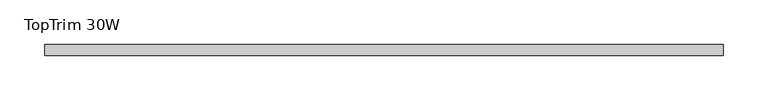
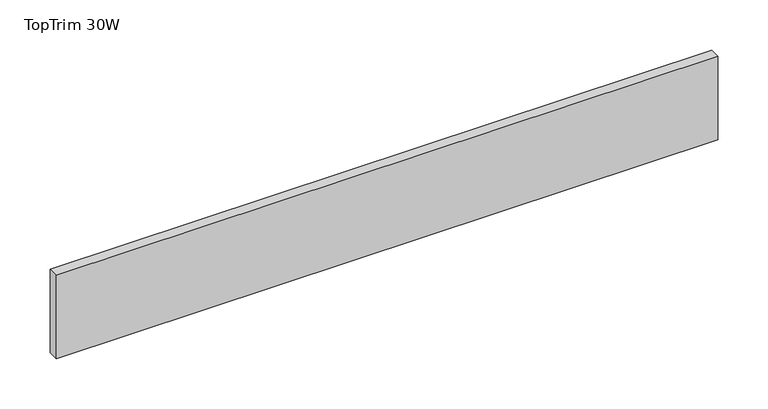
"""IFC4 building model written with IfcOpenShell, lengths in millimetres: furniture geometry, TopTrim 30W."""

from ifc_helpers import new_model, si_unit, frame, origin, place, context, project, spatial, polyline, outline, extrude, source, transform, mapped, element, save


def toptrim_30w_0158f814(model_context):
    return source(origin(), model_context, "Body", "SweptSolid", [
        extrude(outline(polyline([(0.0, -50.8000015), (0.0, -38.1), (762.0, -38.1), (762.0, -50.8000015), (0.0, -50.8000015)])), frame((0.0, 0.0, 2184.4), z_axis=(0.0, 0.0, 1.0), x_axis=(1.0, 0.0, 0.0)), (0.0, 0.0, 1.0), 101.600003),
    ])


if __name__ == "__main__":
    model = new_model("IFC4")
    model_context = context("Model", 3, world=origin())
    ifc_project = project(units=[si_unit("LENGTHUNIT", "METRE", prefix="MILLI")], contexts=[model_context])
    site = spatial("IfcSite", under=ifc_project)
    building = spatial("IfcBuilding", under=site)
    placement = place(None, origin())
    toptrim_30w_shape = toptrim_30w_0158f814(model_context)
    element("IfcFurniture", 1, ObjectType="TopTrim 30W", at=placement, inside=building, context=model_context, shape_type="MappedRepresentation", body=[
        mapped(toptrim_30w_shape, transform((0.0, 0.0, 0.0), x_axis=(1.0, 0.0, 0.0), y_axis=(0.0, 1.0, 0.0), z_axis=(0.0, 0.0, 1.0))),
    ])
    save(model, "model.ifc")
